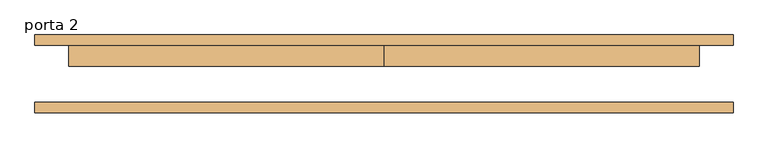
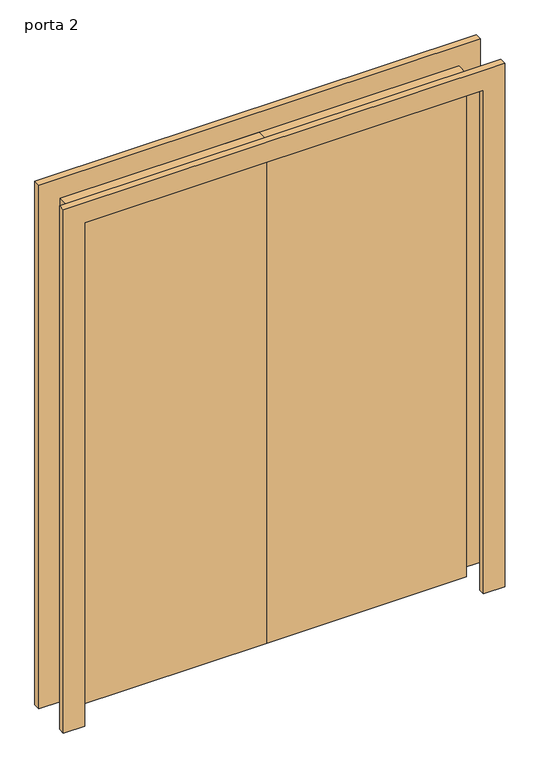
"""IFC4 building model written with IfcOpenShell, lengths in millimetres: door geometry, porta 2."""

from ifc_helpers import new_model, si_unit, frame, origin, origin_with_axes, place, context, project, spatial, polyline, outline, extrude, source, transform, mapped, element, save


def porta_2_01faedc7(model_context):
    return source(origin(), model_context, "Body", "SweptSolid", [
        extrude(outline(polyline([(2000.0, -750.0), (2000.0, 750.0), (0.0, 750.0), (0.0, 830.0), (2080.0, 830.0), (2080.0, -830.0), (0.0, -830.0), (0.0, -750.0), (2000.0, -750.0)])), frame((0.0, -92.75, 0.0), z_axis=(0.0, 1.0, 0.0), x_axis=(0.0, 0.0, 1.0)), (0.0, 0.0, 1.0), 25.0),
        extrude(outline(polyline([(2000.0, -750.0), (2000.0, 750.0), (0.0, 750.0), (0.0, 830.0), (2080.0, 830.0), (2080.0, -830.0), (0.0, -830.0), (0.0, -750.0), (2000.0, -750.0)])), frame((0.0, 67.75, 0.0), z_axis=(0.0, 1.0, 0.0), x_axis=(0.0, 0.0, 1.0)), (0.0, 0.0, 1.0), 25.0),
        extrude(outline(polyline([(0.0, 67.75), (750.0, 67.75), (750.0, 17.75), (0.0, 17.75), (0.0, 67.75)])), origin_with_axes(), (0.0, 0.0, 1.0), 2000.0),
        extrude(outline(polyline([(-750.0, 67.75), (0.0, 67.75), (0.0, 17.75), (-750.0, 17.75), (-750.0, 67.75)])), origin_with_axes(), (0.0, 0.0, 1.0), 2000.0),
    ])


if __name__ == "__main__":
    model = new_model("IFC4")
    model_context = context("Model", 3, world=origin())
    ifc_project = project(units=[si_unit("LENGTHUNIT", "METRE", prefix="MILLI")], contexts=[model_context])
    site = spatial("IfcSite", under=ifc_project)
    building = spatial("IfcBuilding", under=site)
    placement = place(None, origin())
    porta_2_shape = porta_2_01faedc7(model_context)
    element("IfcDoor", 1, ObjectType="porta 2", at=placement, inside=building, context=model_context, shape_type="MappedRepresentation", body=[
        mapped(porta_2_shape, transform((0.0, 0.0, 0.0), x_axis=(1.0, 0.0, 0.0), y_axis=(0.0, 1.0, 0.0), z_axis=(0.0, 0.0, 1.0))),
    ])
    save(model, "model.ifc")
